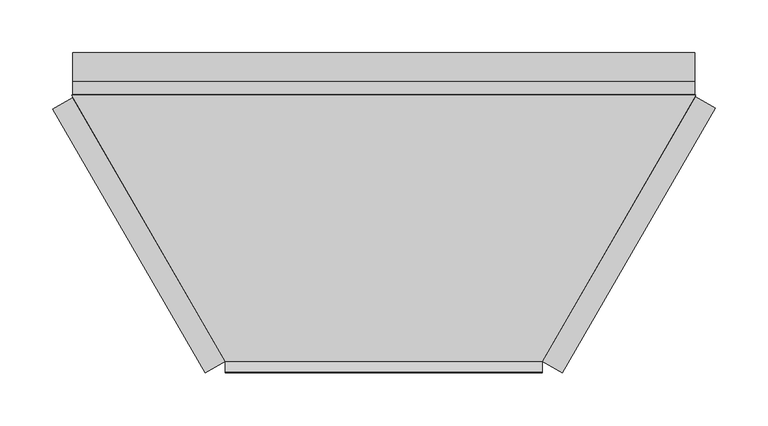
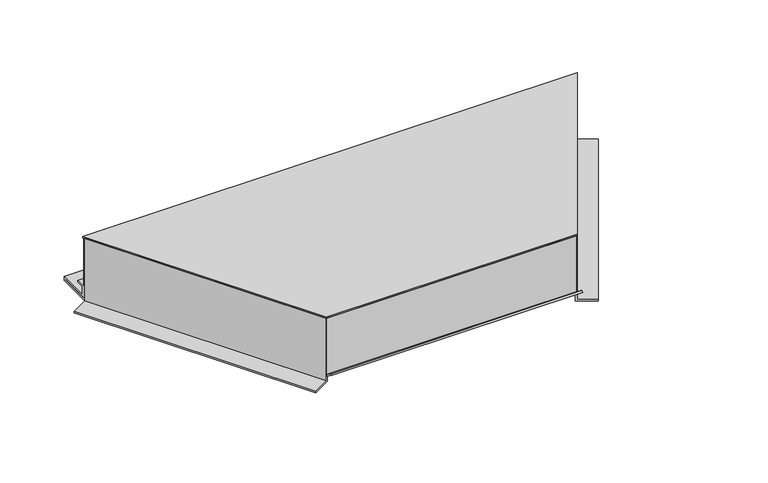
"""IFC4 building model written with IfcOpenShell, lengths in millimetres: proxy geometry."""

from ifc_helpers import new_model, si_unit, frame, origin, place, context, project, spatial, polyline, outline, extrude, source, transform, mapped, element, save


def generic_models_5c1a8db8(model_context):
    return source(origin(), model_context, "Body", "SweptSolid", [
        extrude(outline(polyline([(-78.8, 0.0), (0.0, 0.0), (0.0, 22.0), (2.0, 22.0), (2.0, 0.0), (2.0, -2.0), (-78.8, -2.0), (-78.8, 0.0)])), frame((-150.111605, -252.4972201, 4.2), z_axis=(-0.49999732699885757, 0.8660269470368677, 0.0), x_axis=(0.0, 0.0, -1.0)), (0.0, 0.0, 1.0), 289.2487286),
        extrude(outline(polyline([(0.0, 0.0), (2.0, 0.0), (2.0, -83.0), (0.0, -83.0), (-22.0, -83.0), (-22.0, -81.0), (0.0, -81.0), (0.0, 0.0)])), frame((150.111605, -252.4972201, 83.0), z_axis=(0.49999732699886035, 0.866026947036866, 0.0), x_axis=(-0.866026947036866, 0.49999732699886035, 0.0)), (0.0, 0.0, 1.0), 290.4034641),
        extrude(outline(polyline([(-2.0, 83.0), (0.0, 83.0), (0.0, 6.0), (38.5, 6.0), (38.5, 7.0), (1.0, 7.0), (1.0, 21.1), (12.8, 21.1), (12.8, 19.1), (3.0, 19.1), (3.0, 9.0), (40.5, 9.0), (40.5, 4.0), (-2.0, 4.0), (-2.0, 83.0)])), frame((-294.7351961, 0.0, 0.0), z_axis=(1.0, 0.0, 0.0), x_axis=(0.0, 1.0, 0.0)), (0.0, 0.0, 1.0), 589.4704076),
        extrude(outline(polyline([(-252.5, 12.1635024), (-252.5, 83.0), (-250.5, 83.0), (-250.5, 9.6), (-252.3259461, 9.6), (-263.4961152, 17.4221074), (-262.3488963, 19.0603652), (-252.5, 12.1635024)])), frame((-150.11, 0.0, 0.0), z_axis=(1.0, 0.0, 0.0), x_axis=(0.0, 1.0, 0.0)), (0.0, 0.0, 1.0), 300.22),
        extrude(outline(polyline([(-295.8899038, 0.0), (295.8899038, 0.0), (150.11, -252.5), (-150.11, -252.5), (-295.8899038, 0.0)])), frame((0.0, 0.0, 83.0), z_axis=(0.0, 0.0, 1.0), x_axis=(1.0, 0.0, 0.0)), (0.0, 0.0, 1.0), 2.0),
    ])


if __name__ == "__main__":
    model = new_model("IFC4")
    model_context = context("Model", 3, world=origin())
    ifc_project = project(units=[si_unit("LENGTHUNIT", "METRE", prefix="MILLI")], contexts=[model_context])
    site = spatial("IfcSite", under=ifc_project)
    building = spatial("IfcBuilding", under=site)
    placement = place(None, origin())
    generic_models_shape = generic_models_5c1a8db8(model_context)
    element("IfcBuildingElementProxy", 1, Name="Generic Models", at=placement, inside=building, context=model_context, shape_type="MappedRepresentation", body=[
        mapped(generic_models_shape, transform((0.0, 0.0, 0.0), x_axis=(1.0, 0.0, 0.0), y_axis=(0.0, 1.0, 0.0), z_axis=(0.0, 0.0, 1.0))),
    ])
    save(model, "model.ifc")
